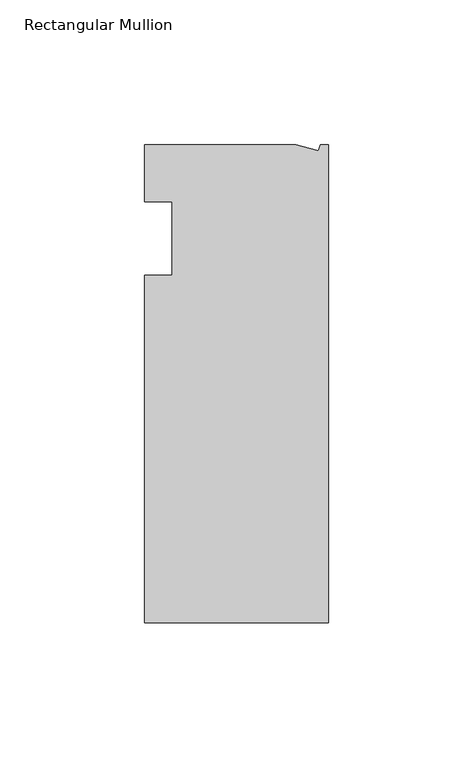
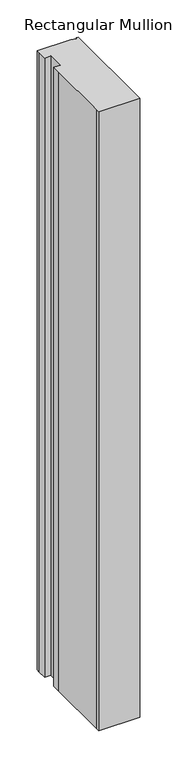
"""IFC4 building model written with IfcOpenShell, lengths in millimetres: member geometry, Rectangular Mullion."""

from ifc_helpers import new_model, si_unit, frame, origin, place, context, project, spatial, polyline, outline, extrude, source, transform, mapped, element, save


def rectangular_mullion_5f9d3792(model_context):
    return source(origin(), model_context, "Body", "SweptSolid", [
        extrude(outline(polyline([(-11.1265412, 19.6597595), (-3.3457217, 17.5748952), (-2.787084, 19.6597595), (0.0, 19.6597595), (0.0, -145.4402405), (-63.5, -145.4402405), (-63.5, -139.0912527), (-63.5, -38.3358837), (-63.5, -25.4), (-53.975, -25.4), (-53.975, 0.0), (-63.5, 0.0), (-63.5, 13.6146679), (-63.5, 19.6597595), (-11.1265412, 19.6597595)])), frame((0.0, 0.0, -1016.0), z_axis=(0.0, 0.0, 1.0), x_axis=(1.0, 0.0, 0.0)), (0.0, 0.0, 1.0), 1016.0),
    ])


if __name__ == "__main__":
    model = new_model("IFC4")
    model_context = context("Model", 3, world=origin())
    ifc_project = project(units=[si_unit("LENGTHUNIT", "METRE", prefix="MILLI")], contexts=[model_context])
    site = spatial("IfcSite", under=ifc_project)
    building = spatial("IfcBuilding", under=site)
    placement = place(None, origin())
    rectangular_mullion_shape = rectangular_mullion_5f9d3792(model_context)
    element("IfcMember", 1, ObjectType="Rectangular Mullion", at=placement, inside=building, context=model_context, shape_type="MappedRepresentation", body=[
        mapped(rectangular_mullion_shape, transform((0.0, 0.0, 0.0), x_axis=(1.0, 0.0, 0.0), y_axis=(0.0, 1.0, 0.0), z_axis=(0.0, 0.0, 1.0))),
    ])
    save(model, "model.ifc")
